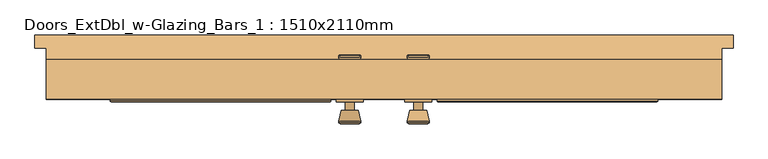
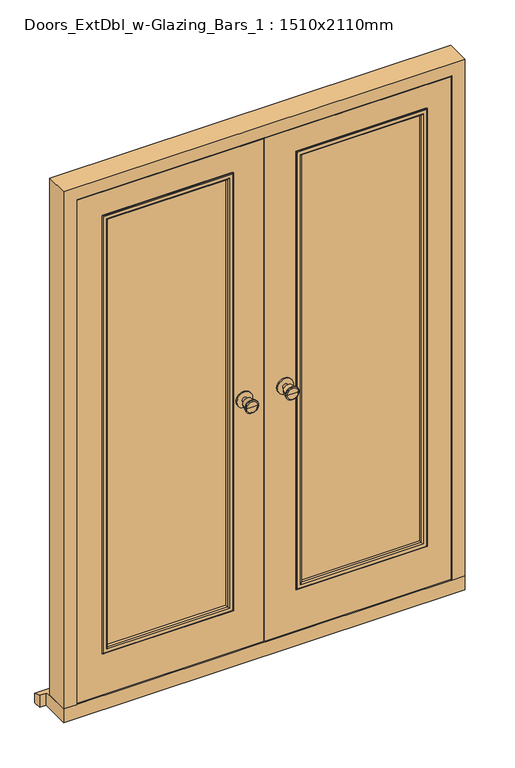
"""IFC4 building model written with IfcOpenShell, lengths in millimetres: door geometry, Doors_ExtDbl_w-Glazing_Bars_1 : 1510x2110mm."""

from ifc_helpers import new_model, si_unit, point, frame, frame_2d, origin, place, context, project, spatial, polyline, circle_curve, ellipse_curve, trimmed, segment, composite_curve, outline, extrude, faceted_brep, source, transform, mapped, element, save
from ifc_brep_helpers import plane_surface, cylinder_surface, revolved_surface, advanced_brep


def doors_extdbl_w_glazing_bars_1_1510x2110mm_d3657225(model_context):
    return source(origin(), model_context, "Body", "SolidModel", [
        advanced_brep(
        [(-76.5, 55.0, 1050.0), (-66.5, 55.0, 1050.0), (-86.5, 55.0, 1050.0), (-96.9758676, 6.0, 1050.0), (-56.0241324, 6.0, 1050.0), (-76.5, 6.0, 1050.0), (-101.5, 7.8278681, 1050.0), (-51.5, 7.8278681, 1050.0), (-101.5, 11.2915463, 1050.0), (-51.5, 11.2915463, 1050.0), (-95.136236, 36.0, 1050.0), (-57.863764, 36.0, 1050.0), (-86.5, 36.0, 1050.0), (-66.5, 36.0, 1050.0)],
        [
            (0, 1),
            (1, 2, circle_curve(frame((-76.5, 55.0, 1050.0), z_axis=(0.0, 1.0, 0.0), x_axis=(1.0, 0.0, 0.0)), 10.0)),
            (2, 0),
            (2, 1, circle_curve(frame((-76.5, 55.0, 1050.0), z_axis=(0.0, 1.0, 0.0), x_axis=(1.0, 0.0, 0.0)), 10.0)),
            (3, 4, circle_curve(frame((-76.5, 6.0, 1050.0), z_axis=(0.0, -1.0, 0.0), x_axis=(1.0, 0.0, 0.0)), 20.4758676)),
            (4, 5),
            (5, 3),
            (4, 3, circle_curve(frame((-76.5, 6.0, 1050.0), z_axis=(0.0, -1.0, 0.0), x_axis=(1.0, 0.0, 0.0)), 20.4758676)),
            (6, 7, circle_curve(frame((-76.5, 7.8278681, 1050.0), z_axis=(0.0, -1.0, 0.0), x_axis=(1.0, 0.0, 0.0)), 25.0)),
            (7, 4),
            (3, 6),
            (7, 6, circle_curve(frame((-76.5, 7.8278681, 1050.0), z_axis=(0.0, -1.0, 0.0), x_axis=(1.0, 0.0, 0.0)), 25.0)),
            (8, 9, circle_curve(frame((-76.5, 11.2915463, 1050.0), z_axis=(0.0, -1.0, 0.0), x_axis=(1.0, 0.0, 0.0)), 25.0)),
            (9, 7),
            (6, 8),
            (9, 8, circle_curve(frame((-76.5, 11.2915463, 1050.0), z_axis=(0.0, -1.0, 0.0), x_axis=(1.0, 0.0, 0.0)), 25.0)),
            (10, 11, circle_curve(frame((-76.5, 36.0, 1050.0), z_axis=(0.0, -1.0, 0.0), x_axis=(1.0, 0.0, 0.0)), 18.636236)),
            (11, 9),
            (8, 10),
            (11, 10, circle_curve(frame((-76.5, 36.0, 1050.0), z_axis=(0.0, -1.0, 0.0), x_axis=(1.0, 0.0, 0.0)), 18.636236)),
            (12, 13, circle_curve(frame((-76.5, 36.0, 1050.0), z_axis=(0.0, -1.0, 0.0), x_axis=(1.0, 0.0, 0.0)), 10.0)),
            (13, 11),
            (10, 12),
            (13, 12, circle_curve(frame((-76.5, 36.0, 1050.0), z_axis=(0.0, -1.0, 0.0), x_axis=(1.0, 0.0, 0.0)), 10.0)),
            (1, 13),
            (12, 2),
        ],
        [
            plane_surface(frame((-76.5, 55.0, 1050.0), z_axis=(0.0, 1.0, 0.0), x_axis=(1.0, 0.0, 0.0))),
            plane_surface(frame((-76.5, 6.0, 1050.0), z_axis=(0.0, -1.0, 0.0), x_axis=(1.0, 0.0, 0.0))),
            revolved_surface(polyline([(-56.0241324, 6.0, 1050.0), (-51.5, 7.8278681, 1050.0)]), (-76.5, 55.0, 1050.0), (0.0, 1.0, 0.0)),
            cylinder_surface(frame((-76.5, 55.0, 1050.0), z_axis=(0.0, 1.0, 0.0), x_axis=(1.0, 0.0, 0.0)), 25.0),
            revolved_surface(polyline([(-51.5, 11.2915463, 1050.0), (-57.863764, 36.0, 1050.0)]), (-76.5, 55.0, 1050.0), (0.0, 1.0, 0.0)),
            plane_surface(frame((-76.5, 36.0, 1050.0), z_axis=(0.0, 1.0, 0.0), x_axis=(1.0, 0.0, 0.0))),
            cylinder_surface(frame((-76.5, 55.0, 1050.0), z_axis=(0.0, 1.0, 0.0), x_axis=(1.0, 0.0, 0.0)), 10.0),
        ],
        [
            (0, [[1, 2, 3]]),
            (0, [[-3, 4, -1]]),
            (1, [[5, 6, 7]]),
            (1, [[8, -7, -6]]),
            (2, [[9, 10, -5, 11]]),
            (2, [[12, -11, -8, -10]]),
            (3, [[13, 14, -9, 15]]),
            (3, [[16, -15, -12, -14]]),
            (4, [[17, 18, -13, 19]]),
            (4, [[20, -19, -16, -18]]),
            (5, [[21, 22, -17, 23]]),
            (5, [[24, -23, -20, -22]]),
            (6, [[-2, 25, -21, 26]]),
            (6, [[-4, -26, -24, -25]]),
        ],
    ),
        extrude(outline(composite_curve([segment(trimmed(circle_curve(frame_2d((1050.0, -76.5)), 30.0), [point((1050.0, -46.5))], [point((1050.0, -106.5))], False, "CARTESIAN"), True, "CONTINUOUS"), segment(trimmed(circle_curve(frame_2d((1050.0, -76.5)), 30.0), [point((1050.0, -106.5))], [point((1050.0, -46.5))], False, "CARTESIAN"), True, "CONTINUOUS")], self_intersect=False)), frame((0.0, 55.0, 0.0), z_axis=(0.0, 1.0, 0.0), x_axis=(0.0, 0.0, 1.0)), (0.0, 0.0, 1.0), 6.0),
        advanced_brep(
        [(-76.5, 111.0, 1050.0), (-86.5, 111.0, 1050.0), (-66.5, 111.0, 1050.0), (-96.9758676, 160.0, 1050.0), (-76.5, 160.0, 1050.0), (-56.0241324, 160.0, 1050.0), (-101.5, 158.1721319, 1050.0), (-51.5, 158.1721319, 1050.0), (-101.5, 154.7084537, 1050.0), (-51.5, 154.7084537, 1050.0), (-95.136236, 130.0, 1050.0), (-57.863764, 130.0, 1050.0), (-86.5, 130.0, 1050.0), (-66.5, 130.0, 1050.0)],
        [
            (0, 1),
            (1, 2, circle_curve(frame((-76.5, 111.0, 1050.0), z_axis=(0.0, -1.0, 0.0), x_axis=(1.0, 0.0, 0.0)), 10.0)),
            (2, 0),
            (2, 1, circle_curve(frame((-76.5, 111.0, 1050.0), z_axis=(0.0, -1.0, 0.0), x_axis=(1.0, 0.0, 0.0)), 10.0)),
            (3, 4),
            (4, 5),
            (5, 3, circle_curve(frame((-76.5, 160.0, 1050.0), z_axis=(0.0, 1.0, 0.0), x_axis=(1.0, 0.0, 0.0)), 20.4758676)),
            (3, 5, circle_curve(frame((-76.5, 160.0, 1050.0), z_axis=(0.0, 1.0, 0.0), x_axis=(1.0, 0.0, 0.0)), 20.4758676)),
            (6, 3),
            (5, 7),
            (7, 6, circle_curve(frame((-76.5, 158.1721319, 1050.0), z_axis=(0.0, 1.0, 0.0), x_axis=(1.0, 0.0, 0.0)), 25.0)),
            (6, 7, circle_curve(frame((-76.5, 158.1721319, 1050.0), z_axis=(0.0, 1.0, 0.0), x_axis=(1.0, 0.0, 0.0)), 25.0)),
            (8, 6),
            (7, 9),
            (9, 8, circle_curve(frame((-76.5, 154.7084537, 1050.0), z_axis=(0.0, 1.0, 0.0), x_axis=(1.0, 0.0, 0.0)), 25.0)),
            (8, 9, circle_curve(frame((-76.5, 154.7084537, 1050.0), z_axis=(0.0, 1.0, 0.0), x_axis=(1.0, 0.0, 0.0)), 25.0)),
            (10, 8),
            (9, 11),
            (11, 10, circle_curve(frame((-76.5, 130.0, 1050.0), z_axis=(0.0, 1.0, 0.0), x_axis=(1.0, 0.0, 0.0)), 18.636236)),
            (10, 11, circle_curve(frame((-76.5, 130.0, 1050.0), z_axis=(0.0, 1.0, 0.0), x_axis=(1.0, 0.0, 0.0)), 18.636236)),
            (12, 10),
            (11, 13),
            (13, 12, circle_curve(frame((-76.5, 130.0, 1050.0), z_axis=(0.0, 1.0, 0.0), x_axis=(1.0, 0.0, 0.0)), 10.0)),
            (12, 13, circle_curve(frame((-76.5, 130.0, 1050.0), z_axis=(0.0, 1.0, 0.0), x_axis=(1.0, 0.0, 0.0)), 10.0)),
            (1, 12),
            (13, 2),
        ],
        [
            plane_surface(frame((-76.5, 111.0, 1050.0), z_axis=(0.0, -1.0, 0.0), x_axis=(1.0, 0.0, 0.0))),
            plane_surface(frame((-76.5, 160.0, 1050.0), z_axis=(0.0, 1.0, 0.0), x_axis=(1.0, 0.0, 0.0))),
            revolved_surface(polyline([(-56.0241324, 160.0, 1050.0), (-51.5, 158.1721319, 1050.0)]), (-76.5, 111.0, 1050.0), (0.0, -1.0, 0.0)),
            cylinder_surface(frame((-76.5, 111.0, 1050.0), z_axis=(0.0, -1.0, 0.0), x_axis=(1.0, 0.0, 0.0)), 25.0),
            revolved_surface(polyline([(-51.5, 154.7084537, 1050.0), (-57.863764, 130.0, 1050.0)]), (-76.5, 111.0, 1050.0), (0.0, -1.0, 0.0)),
            plane_surface(frame((-76.5, 130.0, 1050.0), z_axis=(0.0, -1.0, 0.0), x_axis=(1.0, 0.0, 0.0))),
            cylinder_surface(frame((-76.5, 111.0, 1050.0), z_axis=(0.0, -1.0, 0.0), x_axis=(1.0, 0.0, 0.0)), 10.0),
        ],
        [
            (0, [[1, 2, 3]]),
            (0, [[-3, 4, -1]]),
            (1, [[5, 6, 7]]),
            (1, [[-6, -5, 8]]),
            (2, [[9, -7, 10, 11]]),
            (2, [[-10, -8, -9, 12]]),
            (3, [[13, -11, 14, 15]]),
            (3, [[-14, -12, -13, 16]]),
            (4, [[17, -15, 18, 19]]),
            (4, [[-18, -16, -17, 20]]),
            (5, [[21, -19, 22, 23]]),
            (5, [[-22, -20, -21, 24]]),
            (6, [[25, -23, 26, -2]]),
            (6, [[-26, -24, -25, -4]]),
        ],
    ),
        extrude(outline(composite_curve([segment(trimmed(circle_curve(frame_2d((1050.0, -76.5)), 30.0), [point((1050.0, -46.5))], [point((1050.0, -106.5))], False, "CARTESIAN"), True, "CONTINUOUS"), segment(trimmed(circle_curve(frame_2d((1050.0, -76.5)), 30.0), [point((1050.0, -106.5))], [point((1050.0, -46.5))], False, "CARTESIAN"), True, "CONTINUOUS")], self_intersect=False)), frame((0.0, 105.0, 0.0), z_axis=(0.0, 1.0, 0.0), x_axis=(0.0, 0.0, 1.0)), (0.0, 0.0, 1.0), 6.0),
        advanced_brep(
        [(76.5, 55.0, 1050.0), (86.5, 55.0, 1050.0), (66.5, 55.0, 1050.0), (96.9758676, 6.0, 1050.0), (76.5, 6.0, 1050.0), (56.0241324, 6.0, 1050.0), (101.5, 7.8278681, 1050.0), (51.5, 7.8278681, 1050.0), (101.5, 11.2915463, 1050.0), (51.5, 11.2915463, 1050.0), (95.136236, 36.0, 1050.0), (57.863764, 36.0, 1050.0), (86.5, 36.0, 1050.0), (66.5, 36.0, 1050.0)],
        [
            (0, 1),
            (1, 2, circle_curve(frame((76.5, 55.0, 1050.0), z_axis=(0.0, 1.0, 0.0), x_axis=(-1.0, 0.0, 0.0)), 10.0)),
            (2, 0),
            (2, 1, circle_curve(frame((76.5, 55.0, 1050.0), z_axis=(0.0, 1.0, 0.0), x_axis=(-1.0, 0.0, 0.0)), 10.0)),
            (3, 4),
            (4, 5),
            (5, 3, circle_curve(frame((76.5, 6.0, 1050.0), z_axis=(0.0, -1.0, 0.0), x_axis=(-1.0, 0.0, 0.0)), 20.4758676)),
            (3, 5, circle_curve(frame((76.5, 6.0, 1050.0), z_axis=(0.0, -1.0, 0.0), x_axis=(-1.0, 0.0, 0.0)), 20.4758676)),
            (6, 3),
            (5, 7),
            (7, 6, circle_curve(frame((76.5, 7.8278681, 1050.0), z_axis=(0.0, -1.0, 0.0), x_axis=(-1.0, 0.0, 0.0)), 25.0)),
            (6, 7, circle_curve(frame((76.5, 7.8278681, 1050.0), z_axis=(0.0, -1.0, 0.0), x_axis=(-1.0, 0.0, 0.0)), 25.0)),
            (8, 6),
            (7, 9),
            (9, 8, circle_curve(frame((76.5, 11.2915463, 1050.0), z_axis=(0.0, -1.0, 0.0), x_axis=(-1.0, 0.0, 0.0)), 25.0)),
            (8, 9, circle_curve(frame((76.5, 11.2915463, 1050.0), z_axis=(0.0, -1.0, 0.0), x_axis=(-1.0, 0.0, 0.0)), 25.0)),
            (10, 8),
            (9, 11),
            (11, 10, circle_curve(frame((76.5, 36.0, 1050.0), z_axis=(0.0, -1.0, 0.0), x_axis=(-1.0, 0.0, 0.0)), 18.636236)),
            (10, 11, circle_curve(frame((76.5, 36.0, 1050.0), z_axis=(0.0, -1.0, 0.0), x_axis=(-1.0, 0.0, 0.0)), 18.636236)),
            (12, 10),
            (11, 13),
            (13, 12, circle_curve(frame((76.5, 36.0, 1050.0), z_axis=(0.0, -1.0, 0.0), x_axis=(-1.0, 0.0, 0.0)), 10.0)),
            (12, 13, circle_curve(frame((76.5, 36.0, 1050.0), z_axis=(0.0, -1.0, 0.0), x_axis=(-1.0, 0.0, 0.0)), 10.0)),
            (1, 12),
            (13, 2),
        ],
        [
            plane_surface(frame((76.5, 55.0, 1050.0), z_axis=(0.0, 1.0, 0.0), x_axis=(-1.0, 0.0, 0.0))),
            plane_surface(frame((76.5, 6.0, 1050.0), z_axis=(0.0, -1.0, 0.0), x_axis=(-1.0, 0.0, 0.0))),
            revolved_surface(polyline([(56.0241324, 6.0, 1050.0), (51.5, 7.8278681, 1050.0)]), (76.5, 55.0, 1050.0), (0.0, 1.0, 0.0)),
            cylinder_surface(frame((76.5, 55.0, 1050.0), z_axis=(0.0, 1.0, 0.0), x_axis=(-1.0, 0.0, 0.0)), 25.0),
            revolved_surface(polyline([(51.5, 11.2915463, 1050.0), (57.863764, 36.0, 1050.0)]), (76.5, 55.0, 1050.0), (0.0, 1.0, 0.0)),
            plane_surface(frame((76.5, 36.0, 1050.0), z_axis=(0.0, 1.0, 0.0), x_axis=(-1.0, 0.0, 0.0))),
            cylinder_surface(frame((76.5, 55.0, 1050.0), z_axis=(0.0, 1.0, 0.0), x_axis=(-1.0, 0.0, 0.0)), 10.0),
        ],
        [
            (0, [[1, 2, 3]]),
            (0, [[-3, 4, -1]]),
            (1, [[5, 6, 7]]),
            (1, [[-6, -5, 8]]),
            (2, [[9, -7, 10, 11]]),
            (2, [[-10, -8, -9, 12]]),
            (3, [[13, -11, 14, 15]]),
            (3, [[-14, -12, -13, 16]]),
            (4, [[17, -15, 18, 19]]),
            (4, [[-18, -16, -17, 20]]),
            (5, [[21, -19, 22, 23]]),
            (5, [[-22, -20, -21, 24]]),
            (6, [[25, -23, 26, -2]]),
            (6, [[-26, -24, -25, -4]]),
        ],
    ),
        extrude(outline(composite_curve([segment(trimmed(circle_curve(frame_2d((1050.0, 76.5)), 30.0), [point((1050.0, 46.5))], [point((1050.0, 106.5))], False, "CARTESIAN"), True, "CONTINUOUS"), segment(trimmed(circle_curve(frame_2d((1050.0, 76.5)), 30.0), [point((1050.0, 106.5))], [point((1050.0, 46.5))], False, "CARTESIAN"), True, "CONTINUOUS")], self_intersect=False)), frame((0.0, 55.0, 0.0), z_axis=(0.0, 1.0, 0.0), x_axis=(0.0, 0.0, 1.0)), (0.0, 0.0, 1.0), 6.0),
        advanced_brep(
        [(76.5, 111.0, 1050.0), (66.5, 111.0, 1050.0), (86.5, 111.0, 1050.0), (96.9758676, 160.0, 1050.0), (56.0241324, 160.0, 1050.0), (76.5, 160.0, 1050.0), (101.5, 158.1721319, 1050.0), (51.5, 158.1721319, 1050.0), (101.5, 154.7084537, 1050.0), (51.5, 154.7084537, 1050.0), (95.136236, 130.0, 1050.0), (57.863764, 130.0, 1050.0), (86.5, 130.0, 1050.0), (66.5, 130.0, 1050.0)],
        [
            (0, 1),
            (1, 2, circle_curve(frame((76.5, 111.0, 1050.0), z_axis=(0.0, -1.0, 0.0), x_axis=(-1.0, 0.0, 0.0)), 10.0)),
            (2, 0),
            (2, 1, circle_curve(frame((76.5, 111.0, 1050.0), z_axis=(0.0, -1.0, 0.0), x_axis=(-1.0, 0.0, 0.0)), 10.0)),
            (3, 4, circle_curve(frame((76.5, 160.0, 1050.0), z_axis=(0.0, 1.0, 0.0), x_axis=(-1.0, 0.0, 0.0)), 20.4758676)),
            (4, 5),
            (5, 3),
            (4, 3, circle_curve(frame((76.5, 160.0, 1050.0), z_axis=(0.0, 1.0, 0.0), x_axis=(-1.0, 0.0, 0.0)), 20.4758676)),
            (6, 7, circle_curve(frame((76.5, 158.1721319, 1050.0), z_axis=(0.0, 1.0, 0.0), x_axis=(-1.0, 0.0, 0.0)), 25.0)),
            (7, 4),
            (3, 6),
            (7, 6, circle_curve(frame((76.5, 158.1721319, 1050.0), z_axis=(0.0, 1.0, 0.0), x_axis=(-1.0, 0.0, 0.0)), 25.0)),
            (8, 9, circle_curve(frame((76.5, 154.7084537, 1050.0), z_axis=(0.0, 1.0, 0.0), x_axis=(-1.0, 0.0, 0.0)), 25.0)),
            (9, 7),
            (6, 8),
            (9, 8, circle_curve(frame((76.5, 154.7084537, 1050.0), z_axis=(0.0, 1.0, 0.0), x_axis=(-1.0, 0.0, 0.0)), 25.0)),
            (10, 11, circle_curve(frame((76.5, 130.0, 1050.0), z_axis=(0.0, 1.0, 0.0), x_axis=(-1.0, 0.0, 0.0)), 18.636236)),
            (11, 9),
            (8, 10),
            (11, 10, circle_curve(frame((76.5, 130.0, 1050.0), z_axis=(0.0, 1.0, 0.0), x_axis=(-1.0, 0.0, 0.0)), 18.636236)),
            (12, 13, circle_curve(frame((76.5, 130.0, 1050.0), z_axis=(0.0, 1.0, 0.0), x_axis=(-1.0, 0.0, 0.0)), 10.0)),
            (13, 11),
            (10, 12),
            (13, 12, circle_curve(frame((76.5, 130.0, 1050.0), z_axis=(0.0, 1.0, 0.0), x_axis=(-1.0, 0.0, 0.0)), 10.0)),
            (1, 13),
            (12, 2),
        ],
        [
            plane_surface(frame((76.5, 111.0, 1050.0), z_axis=(0.0, -1.0, 0.0), x_axis=(-1.0, 0.0, 0.0))),
            plane_surface(frame((76.5, 160.0, 1050.0), z_axis=(0.0, 1.0, 0.0), x_axis=(-1.0, 0.0, 0.0))),
            revolved_surface(polyline([(56.0241324, 160.0, 1050.0), (51.5, 158.1721319, 1050.0)]), (76.5, 111.0, 1050.0), (0.0, -1.0, 0.0)),
            cylinder_surface(frame((76.5, 111.0, 1050.0), z_axis=(0.0, -1.0, 0.0), x_axis=(-1.0, 0.0, 0.0)), 25.0),
            revolved_surface(polyline([(51.5, 154.7084537, 1050.0), (57.863764, 130.0, 1050.0)]), (76.5, 111.0, 1050.0), (0.0, -1.0, 0.0)),
            plane_surface(frame((76.5, 130.0, 1050.0), z_axis=(0.0, -1.0, 0.0), x_axis=(-1.0, 0.0, 0.0))),
            cylinder_surface(frame((76.5, 111.0, 1050.0), z_axis=(0.0, -1.0, 0.0), x_axis=(-1.0, 0.0, 0.0)), 10.0),
        ],
        [
            (0, [[1, 2, 3]]),
            (0, [[-3, 4, -1]]),
            (1, [[5, 6, 7]]),
            (1, [[8, -7, -6]]),
            (2, [[9, 10, -5, 11]]),
            (2, [[12, -11, -8, -10]]),
            (3, [[13, 14, -9, 15]]),
            (3, [[16, -15, -12, -14]]),
            (4, [[17, 18, -13, 19]]),
            (4, [[20, -19, -16, -18]]),
            (5, [[21, 22, -17, 23]]),
            (5, [[24, -23, -20, -22]]),
            (6, [[-2, 25, -21, 26]]),
            (6, [[-4, -26, -24, -25]]),
        ],
    ),
        extrude(outline(composite_curve([segment(trimmed(circle_curve(frame_2d((1050.0, 76.5)), 30.0), [point((1050.0, 46.5))], [point((1050.0, 106.5))], False, "CARTESIAN"), True, "CONTINUOUS"), segment(trimmed(circle_curve(frame_2d((1050.0, 76.5)), 30.0), [point((1050.0, 106.5))], [point((1050.0, 46.5))], False, "CARTESIAN"), True, "CONTINUOUS")], self_intersect=False)), frame((0.0, 105.0, 0.0), z_axis=(0.0, 1.0, 0.0), x_axis=(0.0, 0.0, 1.0)), (0.0, 0.0, 1.0), 6.0),
        faceted_brep([(684.5, 150.0, 54.5), (755.0, 150.0, 54.5), (755.0, 61.0, 54.5), (706.5, 61.0, 54.5), (706.5, 108.0, 54.5), (684.5, 108.0, 54.5), (684.5, 150.0, 2039.5), (-684.5, 150.0, 2039.5), (-684.5, 150.0, 54.5), (-755.0, 150.0, 54.5), (-755.0, 150.0, 2110.0), (755.0, 150.0, 2110.0), (755.0, 61.0, 2110.0), (-755.0, 61.0, 2110.0), (-755.0, 61.0, 54.5), (-706.5, 61.0, 54.5), (-706.5, 61.0, 2061.5), (706.5, 61.0, 2061.5), (706.5, 108.0, 2061.5), (-706.5, 108.0, 2061.5), (-706.5, 108.0, 54.5), (-684.5, 108.0, 54.5), (-684.5, 108.0, 2039.5), (684.5, 108.0, 2039.5)], [[[0, 1, 2, 3, 4, 5]], [[1, 0, 6, 7, 8, 9, 10, 11]], [[2, 1, 11, 12]], [[3, 2, 12, 13, 14, 15, 16, 17]], [[4, 3, 17, 18]], [[5, 4, 18, 19, 20, 21, 22, 23]], [[0, 5, 23, 6]], [[7, 22, 21, 8]], [[8, 21, 20, 15, 14, 9]], [[13, 10, 9, 14]], [[19, 16, 15, 20]], [[12, 11, 10, 13]], [[18, 17, 16, 19]], [[6, 23, 22, 7]]]),
        extrude(outline(polyline([(126.5, 95.0), (603.5, 95.0), (603.5, 71.0), (126.5, 71.0), (126.5, 95.0)])), frame((0.0, 0.0, 233.5), z_axis=(0.0, 0.0, 1.0), x_axis=(1.0, 0.0, 0.0)), (0.0, 0.0, 1.0), 1725.0),
        extrude(outline(polyline([(-603.5, 95.0), (-126.5, 95.0), (-126.5, 71.0), (-603.5, 71.0), (-603.5, 95.0)])), frame((0.0, 0.0, 233.5), z_axis=(0.0, 0.0, 1.0), x_axis=(1.0, 0.0, 0.0)), (0.0, 0.0, 1.0), 1725.0),
        faceted_brep([(780.0, 205.0, 0.0), (780.0, 205.0, 38.5947221), (780.0, 175.0, 47.2703282), (780.0, 175.0, 0.0), (-780.0, 205.0, 38.5947221), (-780.0, 205.0, 0.0), (-780.0, 175.0, 0.0), (-780.0, 175.0, 47.2703282), (755.0, 175.0, 0.0), (755.0, 61.0, 0.0), (-755.0, 61.0, 0.0), (-755.0, 175.0, 0.0), (-755.0, 175.0, 47.2703282), (-755.0, 150.0, 54.5), (755.0, 150.0, 54.5), (755.0, 175.0, 47.2703282), (-755.0, 61.0, 54.5), (755.0, 61.0, 54.5)], [[[0, 1, 2, 3]], [[4, 5, 6, 7]], [[5, 0, 3, 8, 9, 10, 11, 6]], [[1, 0, 5, 4]], [[1, 4, 7, 12, 13, 14, 15, 2]], [[13, 16, 17, 14]], [[16, 10, 9, 17]], [[12, 11, 10, 16, 13]], [[11, 12, 7, 6]], [[8, 15, 14, 17, 9]], [[15, 8, 3, 2]]]),
        extrude(outline(polyline([(58.5, 703.5), (2058.5, 703.5), (2058.5, 1.5), (58.5, 1.5), (58.5, 703.5)]), holes=[polyline([(1958.5, 603.5), (233.5, 603.5), (233.5, 126.5), (1958.5, 126.5), (1958.5, 603.5)])]), frame((0.0, 61.0, 0.0), z_axis=(0.0, 1.0, 0.0), x_axis=(0.0, 0.0, 1.0)), (0.0, 0.0, 1.0), 44.0),
        extrude(outline(polyline([(58.5, -703.5), (58.5, -1.5), (2058.5, -1.5), (2058.5, -703.5), (58.5, -703.5)]), holes=[polyline([(1958.5, -126.5), (233.5, -126.5), (233.5, -603.5), (1958.5, -603.5), (1958.5, -126.5)])]), frame((0.0, 61.0, 0.0), z_axis=(0.0, 1.0, 0.0), x_axis=(0.0, 0.0, 1.0)), (0.0, 0.0, 1.0), 44.0),
        advanced_brep(
        [(611.5, 57.0, 225.5), (611.5, 61.0, 225.5), (611.5, 61.0, 1966.5), (611.5, 57.0, 1966.5), (609.5, 55.0, 227.5), (609.5, 55.0, 1964.5), (591.5, 60.0, 245.5), (596.5, 55.0, 240.5), (596.5, 55.0, 1951.5), (591.5, 60.0, 1946.5), (591.5, 71.0, 245.5), (591.5, 71.0, 1946.5), (603.5, 61.0, 233.5), (603.5, 71.0, 233.5), (603.5, 71.0, 1958.5), (603.5, 61.0, 1958.5), (118.5, 61.0, 1966.5), (118.5, 57.0, 1966.5), (120.5, 55.0, 1964.5), (133.5, 55.0, 1951.5), (138.5, 60.0, 1946.5), (138.5, 71.0, 1946.5), (126.5, 71.0, 1958.5), (126.5, 61.0, 1958.5), (118.5, 61.0, 225.5), (118.5, 57.0, 225.5), (120.5, 55.0, 227.5), (133.5, 55.0, 240.5), (138.5, 60.0, 245.5), (138.5, 71.0, 245.5), (126.5, 71.0, 233.5), (126.5, 61.0, 233.5)],
        [
            (0, 1),
            (1, 2),
            (2, 3),
            (3, 0),
            (4, 0, ellipse_curve(frame((609.5, 57.0, 227.5), z_axis=(0.707106781186543, 0.0, 0.707106781186552), x_axis=(0.707106781186552, 0.0, -0.7071067811865429)), 2.8284271, 2.0)),
            (3, 5, ellipse_curve(frame((609.5, 57.0, 1964.5), z_axis=(0.707106781186552, 0.0, -0.707106781186543), x_axis=(-0.7071067811865429, 0.0, -0.707106781186552)), 2.8284271, 2.0)),
            (5, 4),
            (6, 7, ellipse_curve(frame((596.5, 60.0, 240.5), z_axis=(0.707106781186543, 0.0, 0.707106781186552), x_axis=(0.707106781186552, 0.0, -0.7071067811865429)), 7.0710678, 5.0)),
            (7, 8),
            (8, 9, ellipse_curve(frame((596.5, 60.0, 1951.5), z_axis=(0.707106781186552, 0.0, -0.707106781186543), x_axis=(-0.7071067811865429, 0.0, -0.707106781186552)), 7.0710678, 5.0)),
            (9, 6),
            (10, 6),
            (9, 11),
            (11, 10),
            (12, 13),
            (13, 14),
            (14, 15),
            (15, 12),
            (2, 16),
            (16, 17),
            (17, 3),
            (17, 18, ellipse_curve(frame((120.5, 57.0, 1964.5), z_axis=(0.707106781186543, 0.0, 0.707106781186552), x_axis=(0.707106781186552, 0.0, -0.7071067811865429)), 2.8284271, 2.0)),
            (18, 5),
            (8, 19),
            (19, 20, ellipse_curve(frame((133.5, 60.0, 1951.5), z_axis=(0.707106781186543, 0.0, 0.707106781186552), x_axis=(0.707106781186552, 0.0, -0.7071067811865429)), 7.0710678, 5.0)),
            (20, 9),
            (20, 21),
            (21, 11),
            (14, 22),
            (22, 23),
            (23, 15),
            (16, 24),
            (24, 25),
            (25, 17),
            (25, 26, ellipse_curve(frame((120.5, 57.0, 227.5), z_axis=(-0.707106781186552, 0.0, 0.7071067811865429), x_axis=(0.7071067811865428, 0.0, 0.7071067811865522)), 2.8284271, 2.0)),
            (26, 18),
            (19, 27),
            (27, 28, ellipse_curve(frame((133.5, 60.0, 240.5), z_axis=(-0.707106781186552, 0.0, 0.7071067811865429), x_axis=(0.7071067811865428, 0.0, 0.7071067811865522)), 7.0710678, 5.0)),
            (28, 20),
            (28, 29),
            (29, 21),
            (22, 30),
            (30, 31),
            (31, 23),
            (24, 1),
            (0, 25),
            (4, 26),
            (7, 27),
            (6, 28),
            (10, 29),
            (13, 30),
            (12, 31),
        ],
        [
            plane_surface(frame((611.5, 61.0, 225.5), z_axis=(1.0, 0.0, 0.0), x_axis=(0.0, 0.0, 1.0))),
            cylinder_surface(frame((609.5, 57.0, 233.5), z_axis=(0.0, 0.0, -1.0), x_axis=(1.0, 0.0, 0.0)), 2.0),
            cylinder_surface(frame((596.5, 60.0, 233.5), z_axis=(0.0, 0.0, -1.0), x_axis=(1.0, 0.0, 0.0)), 5.0),
            plane_surface(frame((591.5, 60.0, 245.5), z_axis=(-1.0, 0.0, 0.0), x_axis=(0.0, 0.0, 1.0))),
            plane_surface(frame((603.5, 71.0, 233.5), z_axis=(1.0, 0.0, 0.0), x_axis=(0.0, 0.0, 1.0))),
            plane_surface(frame((611.5, 61.0, 1966.5), z_axis=(0.0, 0.0, 1.0), x_axis=(-1.0, 0.0, 0.0))),
            cylinder_surface(frame((603.5, 57.0, 1964.5), z_axis=(1.0, 0.0, 0.0), x_axis=(0.0, 0.0, 1.0)), 2.0),
            cylinder_surface(frame((603.5, 60.0, 1951.5), z_axis=(1.0, 0.0, 0.0), x_axis=(0.0, 0.0, 1.0)), 5.0),
            plane_surface(frame((591.5, 60.0, 1946.5), z_axis=(0.0, 0.0, -1.0), x_axis=(-1.0, 0.0, 0.0))),
            plane_surface(frame((603.5, 71.0, 1958.5), z_axis=(0.0, 0.0, 1.0), x_axis=(-1.0, 0.0, 0.0))),
            plane_surface(frame((118.5, 61.0, 1966.5), z_axis=(-1.0, 0.0, 0.0), x_axis=(0.0, 0.0, -1.0))),
            cylinder_surface(frame((120.5, 57.0, 1958.5), z_axis=(0.0, 0.0, 1.0), x_axis=(-1.0, 0.0, 0.0)), 2.0),
            cylinder_surface(frame((133.5, 60.0, 1958.5), z_axis=(0.0, 0.0, 1.0), x_axis=(-1.0, 0.0, 0.0)), 5.0),
            plane_surface(frame((138.5, 60.0, 1946.5), z_axis=(1.0, 0.0, 0.0), x_axis=(0.0, 0.0, -1.0))),
            plane_surface(frame((126.5, 71.0, 1958.5), z_axis=(-1.0, 0.0, 0.0), x_axis=(0.0, 0.0, -1.0))),
            plane_surface(frame((118.5, 61.0, 225.5), z_axis=(0.0, 0.0, -1.0), x_axis=(1.0, 0.0, 0.0))),
            cylinder_surface(frame((126.5, 57.0, 227.5), z_axis=(-1.0, 0.0, 0.0), x_axis=(0.0, 0.0, -1.0)), 2.0),
            plane_surface(frame((120.5, 55.0, 227.5), z_axis=(0.0, -1.0, 0.0), x_axis=(1.0, 0.0, 0.0))),
            cylinder_surface(frame((126.5, 60.0, 240.5), z_axis=(-1.0, 0.0, 0.0), x_axis=(0.0, 0.0, -1.0)), 5.0),
            plane_surface(frame((138.5, 60.0, 245.5), z_axis=(0.0, 0.0, 1.0), x_axis=(1.0, 0.0, 0.0))),
            plane_surface(frame((138.5, 71.0, 245.5), z_axis=(0.0, 1.0, 0.0), x_axis=(1.0, 0.0, 0.0))),
            plane_surface(frame((126.5, 71.0, 233.5), z_axis=(0.0, 0.0, -1.0), x_axis=(1.0, 0.0, 0.0))),
            plane_surface(frame((126.5, 61.0, 233.5), z_axis=(0.0, 1.0, 0.0), x_axis=(1.0, 0.0, 0.0))),
        ],
        [
            (0, [[1, 2, 3, 4]]),
            (1, [[5, -4, 6, 7]]),
            (2, [[8, 9, 10, 11]]),
            (3, [[12, -11, 13, 14]]),
            (4, [[15, 16, 17, 18]]),
            (5, [[-3, 19, 20, 21]]),
            (6, [[-6, -21, 22, 23]]),
            (7, [[-10, 24, 25, 26]]),
            (8, [[-13, -26, 27, 28]]),
            (9, [[-17, 29, 30, 31]]),
            (10, [[-20, 32, 33, 34]]),
            (11, [[-22, -34, 35, 36]]),
            (12, [[-25, 37, 38, 39]]),
            (13, [[-27, -39, 40, 41]]),
            (14, [[-30, 42, 43, 44]]),
            (15, [[-33, 45, -1, 46]]),
            (16, [[-35, -46, -5, 47]]),
            (17, [[-23, -36, -47, -7], [48, -37, -24, -9]]),
            (18, [[-38, -48, -8, 49]]),
            (19, [[-40, -49, -12, 50]]),
            (20, [[51, -42, -29, -16], [-28, -41, -50, -14]]),
            (21, [[-43, -51, -15, 52]]),
            (22, [[-45, -32, -19, -2], [-31, -44, -52, -18]]),
        ],
    ),
        advanced_brep(
        [(-603.5, 71.0, 233.5), (-603.5, 61.0, 233.5), (-603.5, 61.0, 1958.5), (-603.5, 71.0, 1958.5), (-591.5, 60.0, 245.5), (-591.5, 71.0, 245.5), (-591.5, 71.0, 1946.5), (-591.5, 60.0, 1946.5), (-596.5, 55.0, 240.5), (-596.5, 55.0, 1951.5), (-611.5, 57.0, 225.5), (-609.5, 55.0, 227.5), (-609.5, 55.0, 1964.5), (-611.5, 57.0, 1966.5), (-611.5, 61.0, 225.5), (-611.5, 61.0, 1966.5), (-126.5, 61.0, 1958.5), (-126.5, 71.0, 1958.5), (-138.5, 71.0, 1946.5), (-138.5, 60.0, 1946.5), (-133.5, 55.0, 1951.5), (-120.5, 55.0, 1964.5), (-118.5, 57.0, 1966.5), (-118.5, 61.0, 1966.5), (-126.5, 61.0, 233.5), (-126.5, 71.0, 233.5), (-138.5, 71.0, 245.5), (-138.5, 60.0, 245.5), (-133.5, 55.0, 240.5), (-120.5, 55.0, 227.5), (-118.5, 57.0, 225.5), (-118.5, 61.0, 225.5)],
        [
            (0, 1),
            (1, 2),
            (2, 3),
            (3, 0),
            (4, 5),
            (5, 6),
            (6, 7),
            (7, 4),
            (8, 4, ellipse_curve(frame((-596.5, 60.0, 240.5), z_axis=(-0.707106781186552, 0.0, 0.7071067811865429), x_axis=(-0.7071067811865428, 0.0, -0.7071067811865521)), 7.0710678, 5.0)),
            (7, 9, ellipse_curve(frame((-596.5, 60.0, 1951.5), z_axis=(-0.707106781186543, 0.0, -0.707106781186552), x_axis=(0.707106781186552, 0.0, -0.707106781186543)), 7.0710678, 5.0)),
            (9, 8),
            (10, 11, ellipse_curve(frame((-609.5, 57.0, 227.5), z_axis=(-0.707106781186552, 0.0, 0.7071067811865429), x_axis=(-0.7071067811865428, 0.0, -0.7071067811865521)), 2.8284271, 2.0)),
            (11, 12),
            (12, 13, ellipse_curve(frame((-609.5, 57.0, 1964.5), z_axis=(-0.707106781186543, 0.0, -0.707106781186552), x_axis=(0.707106781186552, 0.0, -0.707106781186543)), 2.8284271, 2.0)),
            (13, 10),
            (14, 10),
            (13, 15),
            (15, 14),
            (2, 16),
            (16, 17),
            (17, 3),
            (6, 18),
            (18, 19),
            (19, 7),
            (19, 20, ellipse_curve(frame((-133.5, 60.0, 1951.5), z_axis=(-0.707106781186552, 0.0, 0.707106781186543), x_axis=(-0.707106781186543, 0.0, -0.707106781186552)), 7.0710678, 5.0)),
            (20, 9),
            (12, 21),
            (21, 22, ellipse_curve(frame((-120.5, 57.0, 1964.5), z_axis=(-0.707106781186552, 0.0, 0.707106781186543), x_axis=(-0.707106781186543, 0.0, -0.707106781186552)), 2.8284271, 2.0)),
            (22, 13),
            (22, 23),
            (23, 15),
            (16, 24),
            (24, 25),
            (25, 17),
            (18, 26),
            (26, 27),
            (27, 19),
            (27, 28, ellipse_curve(frame((-133.5, 60.0, 240.5), z_axis=(0.7071067811865429, 0.0, 0.707106781186552), x_axis=(-0.7071067811865519, 0.0, 0.707106781186543)), 7.0710678, 5.0)),
            (28, 20),
            (21, 29),
            (29, 30, ellipse_curve(frame((-120.5, 57.0, 227.5), z_axis=(0.7071067811865429, 0.0, 0.707106781186552), x_axis=(-0.7071067811865519, 0.0, 0.707106781186543)), 2.8284271, 2.0)),
            (30, 22),
            (30, 31),
            (31, 23),
            (31, 14),
            (1, 24),
            (0, 25),
            (5, 26),
            (4, 27),
            (8, 28),
            (11, 29),
            (10, 30),
        ],
        [
            plane_surface(frame((-603.5, 61.0, 233.5), z_axis=(-1.0, 0.0, 0.0), x_axis=(0.0, 0.0, 1.0))),
            plane_surface(frame((-591.5, 71.0, 245.5), z_axis=(1.0, 0.0, 0.0), x_axis=(0.0, 0.0, 1.0))),
            cylinder_surface(frame((-596.5, 60.0, 233.5), z_axis=(0.0, 0.0, -1.0), x_axis=(-1.0, 0.0, 0.0)), 5.0),
            cylinder_surface(frame((-609.5, 57.0, 233.5), z_axis=(0.0, 0.0, -1.0), x_axis=(-1.0, 0.0, 0.0)), 2.0),
            plane_surface(frame((-611.5, 57.0, 225.5), z_axis=(-1.0, 0.0, 0.0), x_axis=(0.0, 0.0, 1.0))),
            plane_surface(frame((-603.5, 61.0, 1958.5), z_axis=(0.0, 0.0, 1.0), x_axis=(1.0, 0.0, 0.0))),
            plane_surface(frame((-591.5, 71.0, 1946.5), z_axis=(0.0, 0.0, -1.0), x_axis=(1.0, 0.0, 0.0))),
            cylinder_surface(frame((-603.5, 60.0, 1951.5), z_axis=(-1.0, 0.0, 0.0), x_axis=(0.0, 0.0, 1.0)), 5.0),
            cylinder_surface(frame((-603.5, 57.0, 1964.5), z_axis=(-1.0, 0.0, 0.0), x_axis=(0.0, 0.0, 1.0)), 2.0),
            plane_surface(frame((-611.5, 57.0, 1966.5), z_axis=(0.0, 0.0, 1.0), x_axis=(1.0, 0.0, 0.0))),
            plane_surface(frame((-126.5, 61.0, 1958.5), z_axis=(1.0, 0.0, 0.0), x_axis=(0.0, 0.0, -1.0))),
            plane_surface(frame((-138.5, 71.0, 1946.5), z_axis=(-1.0, 0.0, 0.0), x_axis=(0.0, 0.0, -1.0))),
            cylinder_surface(frame((-133.5, 60.0, 1958.5), z_axis=(0.0, 0.0, 1.0), x_axis=(1.0, 0.0, 0.0)), 5.0),
            cylinder_surface(frame((-120.5, 57.0, 1958.5), z_axis=(0.0, 0.0, 1.0), x_axis=(1.0, 0.0, 0.0)), 2.0),
            plane_surface(frame((-118.5, 57.0, 1966.5), z_axis=(1.0, 0.0, 0.0), x_axis=(0.0, 0.0, -1.0))),
            plane_surface(frame((-118.5, 61.0, 225.5), z_axis=(0.0, 1.0, 0.0), x_axis=(-1.0, 0.0, 0.0))),
            plane_surface(frame((-126.5, 61.0, 233.5), z_axis=(0.0, 0.0, -1.0), x_axis=(-1.0, 0.0, 0.0))),
            plane_surface(frame((-126.5, 71.0, 233.5), z_axis=(0.0, 1.0, 0.0), x_axis=(-1.0, 0.0, 0.0))),
            plane_surface(frame((-138.5, 71.0, 245.5), z_axis=(0.0, 0.0, 1.0), x_axis=(-1.0, 0.0, 0.0))),
            cylinder_surface(frame((-126.5, 60.0, 240.5), z_axis=(1.0, 0.0, 0.0), x_axis=(0.0, 0.0, -1.0)), 5.0),
            plane_surface(frame((-133.5, 55.0, 240.5), z_axis=(0.0, -1.0, 0.0), x_axis=(-1.0, 0.0, 0.0))),
            cylinder_surface(frame((-126.5, 57.0, 227.5), z_axis=(1.0, 0.0, 0.0), x_axis=(0.0, 0.0, -1.0)), 2.0),
            plane_surface(frame((-118.5, 57.0, 225.5), z_axis=(0.0, 0.0, -1.0), x_axis=(-1.0, 0.0, 0.0))),
        ],
        [
            (0, [[1, 2, 3, 4]]),
            (1, [[5, 6, 7, 8]]),
            (2, [[9, -8, 10, 11]]),
            (3, [[12, 13, 14, 15]]),
            (4, [[16, -15, 17, 18]]),
            (5, [[-3, 19, 20, 21]]),
            (6, [[-7, 22, 23, 24]]),
            (7, [[-10, -24, 25, 26]]),
            (8, [[-14, 27, 28, 29]]),
            (9, [[-17, -29, 30, 31]]),
            (10, [[-20, 32, 33, 34]]),
            (11, [[-23, 35, 36, 37]]),
            (12, [[-25, -37, 38, 39]]),
            (13, [[-28, 40, 41, 42]]),
            (14, [[-30, -42, 43, 44]]),
            (15, [[-31, -44, 45, -18], [46, -32, -19, -2]]),
            (16, [[-33, -46, -1, 47]]),
            (17, [[-21, -34, -47, -4], [48, -35, -22, -6]]),
            (18, [[-36, -48, -5, 49]]),
            (19, [[-38, -49, -9, 50]]),
            (20, [[51, -40, -27, -13], [-26, -39, -50, -11]]),
            (21, [[-41, -51, -12, 52]]),
            (22, [[-43, -52, -16, -45]]),
        ],
    ),
        advanced_brep(
        [(-611.5, 109.0, 225.5), (-611.5, 105.0, 225.5), (-611.5, 105.0, 1966.5), (-611.5, 109.0, 1966.5), (-609.5, 111.0, 227.5), (-609.5, 111.0, 1964.5), (-591.5, 106.0, 245.5), (-596.5, 111.0, 240.5), (-596.5, 111.0, 1951.5), (-591.5, 106.0, 1946.5), (-591.5, 95.0, 245.5), (-591.5, 95.0, 1946.5), (-603.5, 105.0, 233.5), (-603.5, 95.0, 233.5), (-603.5, 95.0, 1958.5), (-603.5, 105.0, 1958.5), (-118.5, 105.0, 1966.5), (-118.5, 109.0, 1966.5), (-120.5, 111.0, 1964.5), (-133.5, 111.0, 1951.5), (-138.5, 106.0, 1946.5), (-138.5, 95.0, 1946.5), (-126.5, 95.0, 1958.5), (-126.5, 105.0, 1958.5), (-118.5, 105.0, 225.5), (-118.5, 109.0, 225.5), (-120.5, 111.0, 227.5), (-133.5, 111.0, 240.5), (-138.5, 106.0, 245.5), (-138.5, 95.0, 245.5), (-126.5, 95.0, 233.5), (-126.5, 105.0, 233.5)],
        [
            (0, 1),
            (1, 2),
            (2, 3),
            (3, 0),
            (4, 0, ellipse_curve(frame((-609.5, 109.0, 227.5), z_axis=(-0.7071067811865475, 0.0, 0.7071067811865475), x_axis=(-0.7071067811865474, 0.0, -0.7071067811865476)), 2.8284271, 2.0)),
            (3, 5, ellipse_curve(frame((-609.5, 109.0, 1964.5), z_axis=(-0.7071067811865475, 0.0, -0.7071067811865475), x_axis=(0.7071067811865474, 0.0, -0.7071067811865476)), 2.8284271, 2.0)),
            (5, 4),
            (6, 7, ellipse_curve(frame((-596.5, 106.0, 240.5), z_axis=(-0.7071067811865475, 0.0, 0.7071067811865475), x_axis=(-0.7071067811865474, 0.0, -0.7071067811865476)), 7.0710678, 5.0)),
            (7, 8),
            (8, 9, ellipse_curve(frame((-596.5, 106.0, 1951.5), z_axis=(-0.7071067811865475, 0.0, -0.7071067811865475), x_axis=(0.7071067811865474, 0.0, -0.7071067811865476)), 7.0710678, 5.0)),
            (9, 6),
            (10, 6),
            (9, 11),
            (11, 10),
            (12, 13),
            (13, 14),
            (14, 15),
            (15, 12),
            (2, 16),
            (16, 17),
            (17, 3),
            (17, 18, ellipse_curve(frame((-120.5, 109.0, 1964.5), z_axis=(-0.7071067811865475, 0.0, 0.7071067811865475), x_axis=(-0.7071067811865476, 0.0, -0.7071067811865474)), 2.8284271, 2.0)),
            (18, 5),
            (8, 19),
            (19, 20, ellipse_curve(frame((-133.5, 106.0, 1951.5), z_axis=(-0.7071067811865475, 0.0, 0.7071067811865475), x_axis=(-0.7071067811865476, 0.0, -0.7071067811865474)), 7.0710678, 5.0)),
            (20, 9),
            (20, 21),
            (21, 11),
            (14, 22),
            (22, 23),
            (23, 15),
            (16, 24),
            (24, 25),
            (25, 17),
            (25, 26, ellipse_curve(frame((-120.5, 109.0, 227.5), z_axis=(0.7071067811865475, 0.0, 0.7071067811865475), x_axis=(-0.7071067811865474, 0.0, 0.7071067811865476)), 2.8284271, 2.0)),
            (26, 18),
            (19, 27),
            (27, 28, ellipse_curve(frame((-133.5, 106.0, 240.5), z_axis=(0.7071067811865475, 0.0, 0.7071067811865475), x_axis=(-0.7071067811865474, 0.0, 0.7071067811865476)), 7.0710678, 5.0)),
            (28, 20),
            (28, 29),
            (29, 21),
            (22, 30),
            (30, 31),
            (31, 23),
            (24, 1),
            (0, 25),
            (4, 26),
            (7, 27),
            (6, 28),
            (10, 29),
            (13, 30),
            (12, 31),
        ],
        [
            plane_surface(frame((-611.5, 105.0, 225.5), z_axis=(-1.0, 0.0, 0.0), x_axis=(0.0, 0.0, 1.0))),
            cylinder_surface(frame((-609.5, 109.0, 233.5), z_axis=(0.0, 0.0, -1.0), x_axis=(-1.0, 0.0, 0.0)), 2.0),
            cylinder_surface(frame((-596.5, 106.0, 233.5), z_axis=(0.0, 0.0, -1.0), x_axis=(-1.0, 0.0, 0.0)), 5.0),
            plane_surface(frame((-591.5, 106.0, 245.5), z_axis=(1.0, 0.0, 0.0), x_axis=(0.0, 0.0, 1.0))),
            plane_surface(frame((-603.5, 95.0, 233.5), z_axis=(-1.0, 0.0, 0.0), x_axis=(0.0, 0.0, 1.0))),
            plane_surface(frame((-611.5, 105.0, 1966.5), z_axis=(0.0, 0.0, 1.0), x_axis=(1.0, 0.0, 0.0))),
            cylinder_surface(frame((-603.5, 109.0, 1964.5), z_axis=(-1.0, 0.0, 0.0), x_axis=(0.0, 0.0, 1.0)), 2.0),
            cylinder_surface(frame((-603.5, 106.0, 1951.5), z_axis=(-1.0, 0.0, 0.0), x_axis=(0.0, 0.0, 1.0)), 5.0),
            plane_surface(frame((-591.5, 106.0, 1946.5), z_axis=(0.0, 0.0, -1.0), x_axis=(1.0, 0.0, 0.0))),
            plane_surface(frame((-603.5, 95.0, 1958.5), z_axis=(0.0, 0.0, 1.0), x_axis=(1.0, 0.0, 0.0))),
            plane_surface(frame((-118.5, 105.0, 1966.5), z_axis=(1.0, 0.0, 0.0), x_axis=(0.0, 0.0, -1.0))),
            cylinder_surface(frame((-120.5, 109.0, 1958.5), z_axis=(0.0, 0.0, 1.0), x_axis=(1.0, 0.0, 0.0)), 2.0),
            cylinder_surface(frame((-133.5, 106.0, 1958.5), z_axis=(0.0, 0.0, 1.0), x_axis=(1.0, 0.0, 0.0)), 5.0),
            plane_surface(frame((-138.5, 106.0, 1946.5), z_axis=(-1.0, 0.0, 0.0), x_axis=(0.0, 0.0, -1.0))),
            plane_surface(frame((-126.5, 95.0, 1958.5), z_axis=(1.0, 0.0, 0.0), x_axis=(0.0, 0.0, -1.0))),
            plane_surface(frame((-118.5, 105.0, 225.5), z_axis=(0.0, 0.0, -1.0), x_axis=(-1.0, 0.0, 0.0))),
            cylinder_surface(frame((-126.5, 109.0, 227.5), z_axis=(1.0, 0.0, 0.0), x_axis=(0.0, 0.0, -1.0)), 2.0),
            plane_surface(frame((-120.5, 111.0, 227.5), z_axis=(0.0, 1.0, 0.0), x_axis=(-1.0, 0.0, 0.0))),
            cylinder_surface(frame((-126.5, 106.0, 240.5), z_axis=(1.0, 0.0, 0.0), x_axis=(0.0, 0.0, -1.0)), 5.0),
            plane_surface(frame((-138.5, 106.0, 245.5), z_axis=(0.0, 0.0, 1.0), x_axis=(-1.0, 0.0, 0.0))),
            plane_surface(frame((-138.5, 95.0, 245.5), z_axis=(0.0, -1.0, 0.0), x_axis=(-1.0, 0.0, 0.0))),
            plane_surface(frame((-126.5, 95.0, 233.5), z_axis=(0.0, 0.0, -1.0), x_axis=(-1.0, 0.0, 0.0))),
            plane_surface(frame((-126.5, 105.0, 233.5), z_axis=(0.0, -1.0, 0.0), x_axis=(-1.0, 0.0, 0.0))),
        ],
        [
            (0, [[1, 2, 3, 4]]),
            (1, [[5, -4, 6, 7]]),
            (2, [[8, 9, 10, 11]]),
            (3, [[12, -11, 13, 14]]),
            (4, [[15, 16, 17, 18]]),
            (5, [[-3, 19, 20, 21]]),
            (6, [[-6, -21, 22, 23]]),
            (7, [[-10, 24, 25, 26]]),
            (8, [[-13, -26, 27, 28]]),
            (9, [[-17, 29, 30, 31]]),
            (10, [[-20, 32, 33, 34]]),
            (11, [[-22, -34, 35, 36]]),
            (12, [[-25, 37, 38, 39]]),
            (13, [[-27, -39, 40, 41]]),
            (14, [[-30, 42, 43, 44]]),
            (15, [[-33, 45, -1, 46]]),
            (16, [[-35, -46, -5, 47]]),
            (17, [[-23, -36, -47, -7], [48, -37, -24, -9]]),
            (18, [[-38, -48, -8, 49]]),
            (19, [[-40, -49, -12, 50]]),
            (20, [[51, -42, -29, -16], [-28, -41, -50, -14]]),
            (21, [[-43, -51, -15, 52]]),
            (22, [[-45, -32, -19, -2], [-31, -44, -52, -18]]),
        ],
    ),
        advanced_brep(
        [(118.5, 109.0, 225.5), (118.5, 105.0, 225.5), (118.5, 105.0, 1966.5), (118.5, 109.0, 1966.5), (120.5, 111.0, 227.5), (120.5, 111.0, 1964.5), (138.5, 106.0, 245.5), (133.5, 111.0, 240.5), (133.5, 111.0, 1951.5), (138.5, 106.0, 1946.5), (138.5, 95.0, 245.5), (138.5, 95.0, 1946.5), (126.5, 105.0, 233.5), (126.5, 95.0, 233.5), (126.5, 95.0, 1958.5), (126.5, 105.0, 1958.5), (611.5, 105.0, 1966.5), (611.5, 109.0, 1966.5), (609.5, 111.0, 1964.5), (596.5, 111.0, 1951.5), (591.5, 106.0, 1946.5), (591.5, 95.0, 1946.5), (603.5, 95.0, 1958.5), (603.5, 105.0, 1958.5), (611.5, 105.0, 225.5), (611.5, 109.0, 225.5), (609.5, 111.0, 227.5), (596.5, 111.0, 240.5), (591.5, 106.0, 245.5), (591.5, 95.0, 245.5), (603.5, 95.0, 233.5), (603.5, 105.0, 233.5)],
        [
            (0, 1),
            (1, 2),
            (2, 3),
            (3, 0),
            (4, 0, ellipse_curve(frame((120.5, 109.0, 227.5), z_axis=(-0.7071067811865476, 0.0, 0.7071067811865475), x_axis=(-0.7071067811865474, 0.0, -0.7071067811865476)), 2.8284271, 2.0)),
            (3, 5, ellipse_curve(frame((120.5, 109.0, 1964.5), z_axis=(-0.7071067811865475, 0.0, -0.7071067811865476), x_axis=(0.7071067811865476, 0.0, -0.7071067811865475)), 2.8284271, 2.0)),
            (5, 4),
            (6, 7, ellipse_curve(frame((133.5, 106.0, 240.5), z_axis=(-0.7071067811865476, 0.0, 0.7071067811865475), x_axis=(-0.7071067811865474, 0.0, -0.7071067811865476)), 7.0710678, 5.0)),
            (7, 8),
            (8, 9, ellipse_curve(frame((133.5, 106.0, 1951.5), z_axis=(-0.7071067811865475, 0.0, -0.7071067811865476), x_axis=(0.7071067811865476, 0.0, -0.7071067811865475)), 7.0710678, 5.0)),
            (9, 6),
            (10, 6),
            (9, 11),
            (11, 10),
            (12, 13),
            (13, 14),
            (14, 15),
            (15, 12),
            (2, 16),
            (16, 17),
            (17, 3),
            (17, 18, ellipse_curve(frame((609.5, 109.0, 1964.5), z_axis=(-0.7071067811865476, 0.0, 0.7071067811865474), x_axis=(-0.7071067811865475, 0.0, -0.7071067811865475)), 2.8284271, 2.0)),
            (18, 5),
            (8, 19),
            (19, 20, ellipse_curve(frame((596.5, 106.0, 1951.5), z_axis=(-0.7071067811865476, 0.0, 0.7071067811865474), x_axis=(-0.7071067811865475, 0.0, -0.7071067811865475)), 7.0710678, 5.0)),
            (20, 9),
            (20, 21),
            (21, 11),
            (14, 22),
            (22, 23),
            (23, 15),
            (16, 24),
            (24, 25),
            (25, 17),
            (25, 26, ellipse_curve(frame((609.5, 109.0, 227.5), z_axis=(0.7071067811865474, 0.0, 0.7071067811865476), x_axis=(-0.7071067811865475, 0.0, 0.7071067811865475)), 2.8284271, 2.0)),
            (26, 18),
            (19, 27),
            (27, 28, ellipse_curve(frame((596.5, 106.0, 240.5), z_axis=(0.7071067811865474, 0.0, 0.7071067811865476), x_axis=(-0.7071067811865475, 0.0, 0.7071067811865475)), 7.0710678, 5.0)),
            (28, 20),
            (28, 29),
            (29, 21),
            (22, 30),
            (30, 31),
            (31, 23),
            (24, 1),
            (0, 25),
            (4, 26),
            (7, 27),
            (6, 28),
            (10, 29),
            (13, 30),
            (12, 31),
        ],
        [
            plane_surface(frame((118.5, 105.0, 225.5), z_axis=(-1.0, 0.0, 0.0), x_axis=(0.0, 0.0, 1.0))),
            cylinder_surface(frame((120.5, 109.0, 233.5), z_axis=(0.0, 0.0, -1.0), x_axis=(-1.0, 0.0, 0.0)), 2.0),
            cylinder_surface(frame((133.5, 106.0, 233.5), z_axis=(0.0, 0.0, -1.0), x_axis=(-1.0, 0.0, 0.0)), 5.0),
            plane_surface(frame((138.5, 106.0, 245.5), z_axis=(1.0, 0.0, 0.0), x_axis=(0.0, 0.0, 1.0))),
            plane_surface(frame((126.5, 95.0, 233.5), z_axis=(-1.0, 0.0, 0.0), x_axis=(0.0, 0.0, 1.0))),
            plane_surface(frame((118.5, 105.0, 1966.5), z_axis=(0.0, 0.0, 1.0), x_axis=(1.0, 0.0, 0.0))),
            cylinder_surface(frame((126.5, 109.0, 1964.5), z_axis=(-1.0, 0.0, 0.0), x_axis=(0.0, 0.0, 1.0)), 2.0),
            cylinder_surface(frame((126.5, 106.0, 1951.5), z_axis=(-1.0, 0.0, 0.0), x_axis=(0.0, 0.0, 1.0)), 5.0),
            plane_surface(frame((138.5, 106.0, 1946.5), z_axis=(0.0, 0.0, -1.0), x_axis=(1.0, 0.0, 0.0))),
            plane_surface(frame((126.5, 95.0, 1958.5), z_axis=(0.0, 0.0, 1.0), x_axis=(1.0, 0.0, 0.0))),
            plane_surface(frame((611.5, 105.0, 1966.5), z_axis=(1.0, 0.0, 0.0), x_axis=(0.0, 0.0, -1.0))),
            cylinder_surface(frame((609.5, 109.0, 1958.5), z_axis=(0.0, 0.0, 1.0), x_axis=(1.0, 0.0, 0.0)), 2.0),
            cylinder_surface(frame((596.5, 106.0, 1958.5), z_axis=(0.0, 0.0, 1.0), x_axis=(1.0, 0.0, 0.0)), 5.0),
            plane_surface(frame((591.5, 106.0, 1946.5), z_axis=(-1.0, 0.0, 0.0), x_axis=(0.0, 0.0, -1.0))),
            plane_surface(frame((603.5, 95.0, 1958.5), z_axis=(1.0, 0.0, 0.0), x_axis=(0.0, 0.0, -1.0))),
            plane_surface(frame((611.5, 105.0, 225.5), z_axis=(0.0, 0.0, -1.0), x_axis=(-1.0, 0.0, 0.0))),
            cylinder_surface(frame((603.5, 109.0, 227.5), z_axis=(1.0, 0.0, 0.0), x_axis=(0.0, 0.0, -1.0)), 2.0),
            plane_surface(frame((609.5, 111.0, 227.5), z_axis=(0.0, 1.0, 0.0), x_axis=(-1.0, 0.0, 0.0))),
            cylinder_surface(frame((603.5, 106.0, 240.5), z_axis=(1.0, 0.0, 0.0), x_axis=(0.0, 0.0, -1.0)), 5.0),
            plane_surface(frame((591.5, 106.0, 245.5), z_axis=(0.0, 0.0, 1.0), x_axis=(-1.0, 0.0, 0.0))),
            plane_surface(frame((591.5, 95.0, 245.5), z_axis=(0.0, -1.0, 0.0), x_axis=(-1.0, 0.0, 0.0))),
            plane_surface(frame((603.5, 95.0, 233.5), z_axis=(0.0, 0.0, -1.0), x_axis=(-1.0, 0.0, 0.0))),
            plane_surface(frame((603.5, 105.0, 233.5), z_axis=(0.0, -1.0, 0.0), x_axis=(-1.0, 0.0, 0.0))),
        ],
        [
            (0, [[1, 2, 3, 4]]),
            (1, [[5, -4, 6, 7]]),
            (2, [[8, 9, 10, 11]]),
            (3, [[12, -11, 13, 14]]),
            (4, [[15, 16, 17, 18]]),
            (5, [[-3, 19, 20, 21]]),
            (6, [[-6, -21, 22, 23]]),
            (7, [[-10, 24, 25, 26]]),
            (8, [[-13, -26, 27, 28]]),
            (9, [[-17, 29, 30, 31]]),
            (10, [[-20, 32, 33, 34]]),
            (11, [[-22, -34, 35, 36]]),
            (12, [[-25, 37, 38, 39]]),
            (13, [[-27, -39, 40, 41]]),
            (14, [[-30, 42, 43, 44]]),
            (15, [[-33, 45, -1, 46]]),
            (16, [[-35, -46, -5, 47]]),
            (17, [[-23, -36, -47, -7], [48, -37, -24, -9]]),
            (18, [[-38, -48, -8, 49]]),
            (19, [[-40, -49, -12, 50]]),
            (20, [[51, -42, -29, -16], [-28, -41, -50, -14]]),
            (21, [[-43, -51, -15, 52]]),
            (22, [[-45, -32, -19, -2], [-31, -44, -52, -18]]),
        ],
    ),
        extrude(outline(polyline([(233.5, -375.0), (233.5, -355.0), (568.5, -355.0), (568.5, -126.5), (588.5, -126.5), (588.5, -355.0), (913.5, -355.0), (913.5, -126.5), (933.5, -126.5), (933.5, -355.0), (1258.5, -355.0), (1258.5, -126.5), (1278.5, -126.5), (1278.5, -355.0), (1603.5, -355.0), (1603.5, -126.5), (1623.5, -126.5), (1623.5, -355.0), (1958.5, -355.0), (1958.5, -375.0), (1623.5, -375.0), (1623.5, -603.5), (1603.5, -603.5), (1603.5, -375.0), (1278.5, -375.0), (1278.5, -603.5), (1258.5, -603.5), (1258.5, -375.0), (933.5, -375.0), (933.5, -603.5), (913.5, -603.5), (913.5, -375.0), (588.5, -375.0), (588.5, -603.5), (568.5, -603.5), (568.5, -375.0), (233.5, -375.0)])), frame((0.0, 79.0, 0.0), z_axis=(0.0, 1.0, 0.0), x_axis=(0.0, 0.0, 1.0)), (0.0, 0.0, 1.0), 8.0),
        extrude(outline(polyline([(233.5, 355.0), (233.5, 375.0), (568.5, 375.0), (568.5, 603.5), (588.5, 603.5), (588.5, 375.0), (913.5, 375.0), (913.5, 603.5), (933.5, 603.5), (933.5, 375.0), (1258.5, 375.0), (1258.5, 603.5), (1278.5, 603.5), (1278.5, 375.0), (1603.5, 375.0), (1603.5, 603.5), (1623.5, 603.5), (1623.5, 375.0), (1958.5, 375.0), (1958.5, 355.0), (1623.5, 355.0), (1623.5, 126.5), (1603.5, 126.5), (1603.5, 355.0), (1278.5, 355.0), (1278.5, 126.5), (1258.5, 126.5), (1258.5, 355.0), (933.5, 355.0), (933.5, 126.5), (913.5, 126.5), (913.5, 355.0), (588.5, 355.0), (588.5, 126.5), (568.5, 126.5), (568.5, 355.0), (233.5, 355.0)])), frame((0.0, 79.0, 0.0), z_axis=(0.0, 1.0, 0.0), x_axis=(0.0, 0.0, 1.0)), (0.0, 0.0, 1.0), 8.0),
    ])


if __name__ == "__main__":
    model = new_model("IFC4")
    model_context = context("Model", 3, world=origin())
    ifc_project = project(units=[si_unit("LENGTHUNIT", "METRE", prefix="MILLI")], contexts=[model_context])
    site = spatial("IfcSite", under=ifc_project)
    building = spatial("IfcBuilding", under=site)
    placement = place(None, origin())
    doors_extdbl_w_glazing_bars_1_1510x2110mm_shape = doors_extdbl_w_glazing_bars_1_1510x2110mm_d3657225(model_context)
    element("IfcDoor", 1, ObjectType="Doors_ExtDbl_w-Glazing_Bars_1 : 1510x2110mm", at=placement, inside=building, context=model_context, shape_type="MappedRepresentation", body=[
        mapped(doors_extdbl_w_glazing_bars_1_1510x2110mm_shape, transform((0.0, 0.0, 0.0), x_axis=(1.0, 0.0, 0.0), y_axis=(0.0, 1.0, 0.0), z_axis=(0.0, 0.0, 1.0))),
    ])
    save(model, "model.ifc")
